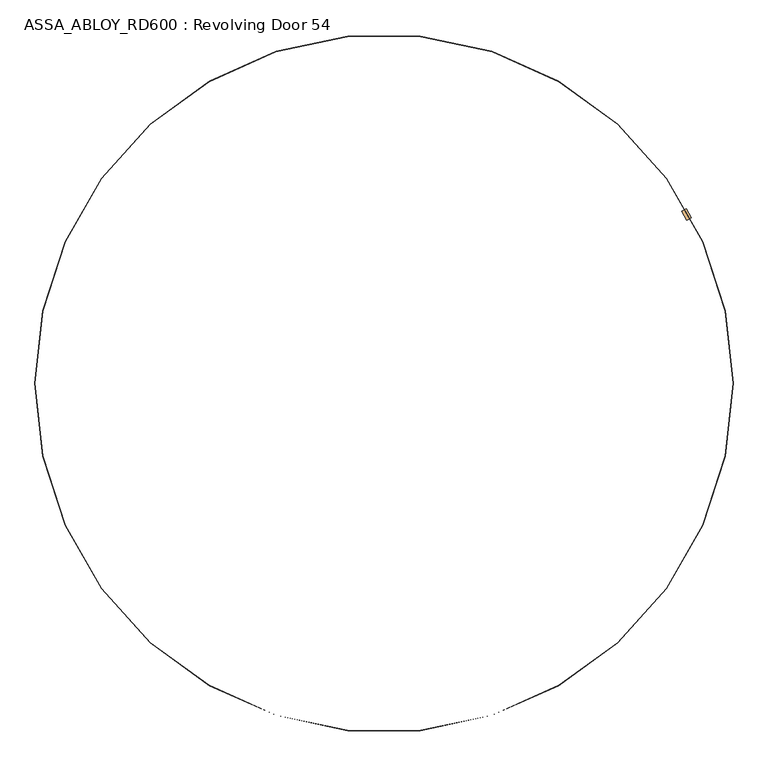
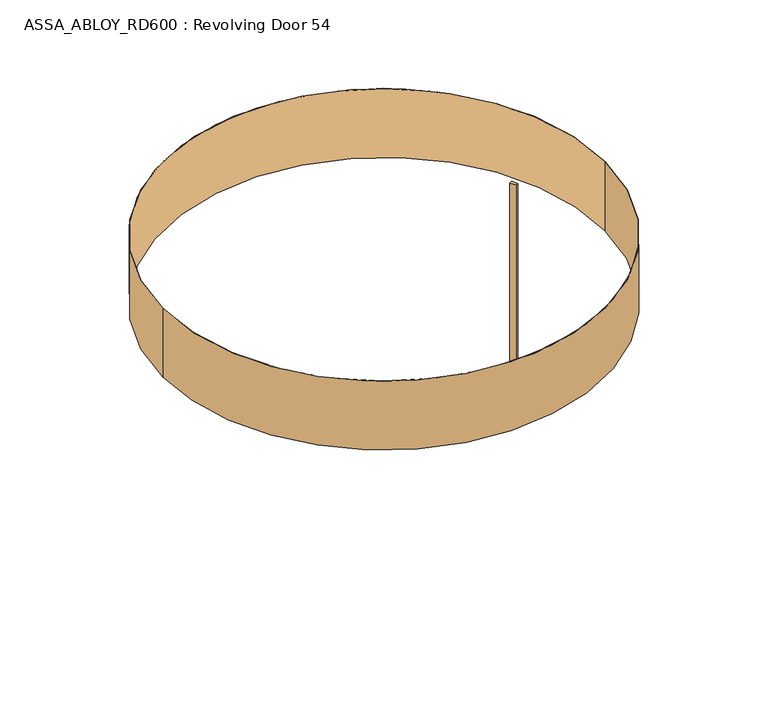
"""IFC4 building model written with IfcOpenShell, lengths in millimetres: door geometry, ASSA_ABLOY_RD600 : Revolving Door 54."""

from ifc_helpers import new_model, si_unit, point, frame, frame_2d, origin, origin_2d, place, context, project, spatial, polyline, circle_curve, trimmed, segment, composite_curve, outline, extrude, source, transform, mapped, element, save


def assa_abloy_rd600_revolving_door_54_d33d5e8a(model_context):
    return source(origin(), model_context, "Body", "SweptSolid", [
        extrude(outline(composite_curve([segment(trimmed(circle_curve(frame_2d((0.1125648, 0.0628824)), 2740.0), [point((2372.4093454, 1371.1237799))], [point((2411.4248993, 1301.2826276))], False, "CARTESIAN"), True, "CONTINUOUS"), segment(polyline([(2411.4248993, 1301.2826276), (2376.4983922, 1281.7715374)]), True, "CONTINUOUS"), segment(trimmed(circle_curve(frame_2d((0.1149533, 0.0532567)), 2700.0), [point((2376.4983922, 1281.7715374))], [point((2337.4825908, 1351.6125514))], True, "CARTESIAN"), True, "CONTINUOUS"), segment(polyline([(2337.4825908, 1351.6125514), (2372.4093454, 1371.1237799)]), True, "CONTINUOUS")], self_intersect=False)), frame((0.0, 0.0, 120.0), z_axis=(0.0, 0.0, 1.0), x_axis=(1.0, 0.0, 0.0)), (0.0, 0.0, 1.0), 2420.0),
        extrude(outline(composite_curve([segment(trimmed(circle_curve(origin_2d(), 2741.0), [point((-2741.0, 0.0))], [point((2741.0, 0.0))], False, "CARTESIAN"), True, "CONTINUOUS"), segment(trimmed(circle_curve(origin_2d(), 2741.0), [point((2741.0, 0.0))], [point((-2741.0, 0.0))], False, "CARTESIAN"), True, "CONTINUOUS")], self_intersect=False), holes=[composite_curve([segment(trimmed(circle_curve(origin_2d(), 2737.0), [point((-2737.0, 0.0))], [point((2737.0, 0.0))], True, "CARTESIAN"), True, "CONTINUOUS"), segment(trimmed(circle_curve(origin_2d(), 2737.0), [point((2737.0, 0.0))], [point((-2737.0, 0.0))], True, "CARTESIAN"), True, "CONTINUOUS")], self_intersect=False)]), frame((0.0, 0.0, 2600.0), z_axis=(0.0, 0.0, 1.0), x_axis=(1.0, 0.0, 0.0)), (0.0, 0.0, 1.0), 900.0),
    ])


if __name__ == "__main__":
    model = new_model("IFC4")
    model_context = context("Model", 3, world=origin())
    ifc_project = project(units=[si_unit("LENGTHUNIT", "METRE", prefix="MILLI")], contexts=[model_context])
    site = spatial("IfcSite", under=ifc_project)
    building = spatial("IfcBuilding", under=site)
    placement = place(None, origin())
    assa_abloy_rd600_revolving_door_54_shape = assa_abloy_rd600_revolving_door_54_d33d5e8a(model_context)
    element("IfcDoor", 1, ObjectType="ASSA_ABLOY_RD600 : Revolving Door 54", at=placement, inside=building, context=model_context, shape_type="MappedRepresentation", body=[
        mapped(assa_abloy_rd600_revolving_door_54_shape, transform((0.0, 0.0, 0.0), x_axis=(1.0, 0.0, 0.0), y_axis=(0.0, 1.0, 0.0), z_axis=(0.0, 0.0, 1.0))),
    ])
    save(model, "model.ifc")
